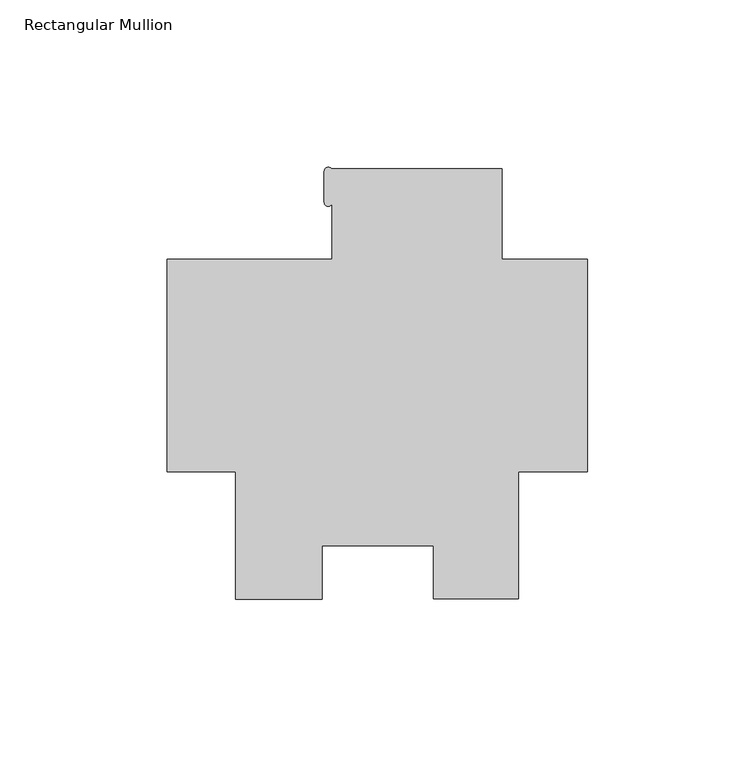
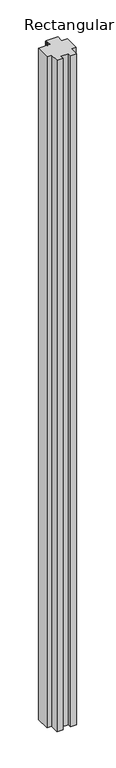
"""IFC4 building model written with IfcOpenShell, lengths in millimetres: member geometry, Rectangular Mullion."""

from ifc_helpers import new_model, si_unit, point, frame, frame_2d, origin, place, context, project, spatial, polyline, circle_curve, trimmed, segment, composite_curve, outline, extrude, source, transform, mapped, element, save


def rectangular_mullion_302fbe49(model_context):
    return source(origin(), model_context, "Body", "SweptSolid", [
        extrude(outline(composite_curve([segment(polyline([(-25.577927, 58.7248), (-25.577927, 31.75), (0.0, 31.75), (0.0, -31.75), (-20.6735973, -31.75), (-20.6735973, -69.85), (-46.0042659, -69.85), (-46.0042659, -53.9624751), (-79.3959182, -53.9624751), (-79.3959182, -69.8732034), (-105.2447888, -69.8732034), (-105.2447888, -31.75), (-125.7808, -31.75), (-125.7808, 31.75), (-76.377927, 31.75), (-76.377927, 48.7042634)]), True, "CONTINUOUS"), segment(trimmed(circle_curve(frame_2d((-77.571473, 48.7288883)), 1.1938), [point((-76.377927, 48.7042634))], [point((-78.765273, 48.7288883))], False, "CARTESIAN"), True, "CONTINUOUS"), segment(polyline([(-78.765273, 48.7288883), (-78.765273, 58.0542437)]), True, "CONTINUOUS"), segment(trimmed(circle_curve(frame_2d((-77.571473, 58.0542437)), 1.1938), [point((-78.765273, 58.0542437))], [point((-76.5837926, 58.7248))], False, "CARTESIAN"), True, "CONTINUOUS"), segment(polyline([(-76.5837926, 58.7248), (-25.577927, 58.7248)]), True, "CONTINUOUS")], self_intersect=False)), frame((0.0, 0.0, -3048.0), z_axis=(0.0, 0.0, 1.0), x_axis=(1.0, 0.0, 0.0)), (0.0, 0.0, 1.0), 3048.0),
    ])


if __name__ == "__main__":
    model = new_model("IFC4")
    model_context = context("Model", 3, world=origin())
    ifc_project = project(units=[si_unit("LENGTHUNIT", "METRE", prefix="MILLI")], contexts=[model_context])
    site = spatial("IfcSite", under=ifc_project)
    building = spatial("IfcBuilding", under=site)
    placement = place(None, origin())
    rectangular_mullion_shape = rectangular_mullion_302fbe49(model_context)
    element("IfcMember", 1, ObjectType="Rectangular Mullion", at=placement, inside=building, context=model_context, shape_type="MappedRepresentation", body=[
        mapped(rectangular_mullion_shape, transform((0.0, 0.0, 0.0), x_axis=(1.0, 0.0, 0.0), y_axis=(0.0, 1.0, 0.0), z_axis=(0.0, 0.0, 1.0))),
    ])
    save(model, "model.ifc")
